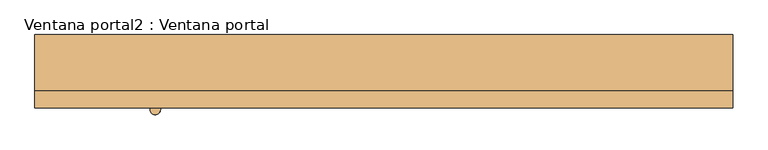
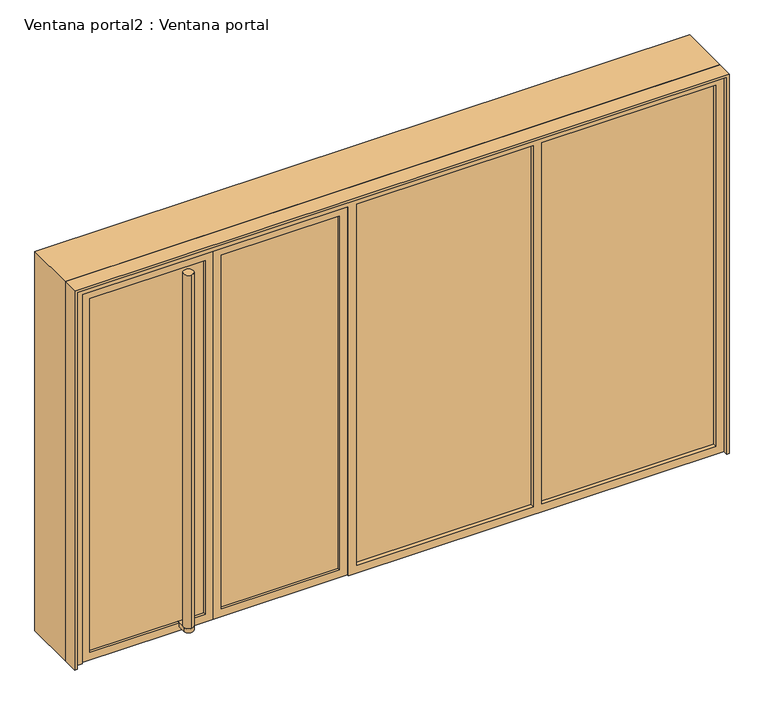
"""IFC4 building model written with IfcOpenShell, lengths in millimetres: door geometry, Ventana portal2 : Ventana portal."""

from ifc_helpers import new_model, si_unit, point, frame, frame_2d, origin, place, context, project, spatial, polyline, circle_curve, trimmed, segment, composite_curve, outline, extrude, source, transform, mapped, element, save


def ventana_portal2_ventana_portal_b1779f56(model_context):
    return source(origin(), model_context, "Body", "SweptSolid", [
        extrude(outline(polyline([(2450.0, 49779.3852488), (2450.0, 45779.3852488), (0.0, 45779.3852488), (0.0, 45794.3852488), (2435.0, 45794.3852488), (2435.0, 49764.3852488), (0.0, 49764.3852488), (0.0, 49779.3852488), (2450.0, 49779.3852488)])), frame((0.0, -8.8235294, 0.0), z_axis=(0.0, 1.0, 0.0), x_axis=(0.0, 0.0, 1.0)), (0.0, 0.0, 1.0), 320.0),
        extrude(outline(polyline([(2450.0, 49779.3852488), (2450.0, 45779.3852488), (0.0, 45779.3852488), (0.0, 45794.3852488), (2435.0, 45794.3852488), (2435.0, 49764.3852488), (0.0, 49764.3852488), (0.0, 49779.3852488), (2450.0, 49779.3852488)])), frame((0.0, -108.8235294, 0.0), z_axis=(0.0, 1.0, 0.0), x_axis=(0.0, 0.0, 1.0)), (0.0, 0.0, 1.0), 100.0),
        extrude(outline(composite_curve([segment(trimmed(circle_curve(frame_2d((46469.3852488, 150.438026)), 30.0), [point((46439.3852488, 150.438026))], [point((46499.3852488, 150.438026))], False, "CARTESIAN"), True, "CONTINUOUS"), segment(polyline([(46499.3852488, 150.438026), (46499.3852488, 1.9149152)]), True, "CONTINUOUS"), segment(trimmed(circle_curve(frame_2d((46469.3852488, 1.9149152)), 30.0), [point((46499.3852488, 1.9149152))], [point((46439.3852488, 1.9149152))], False, "CARTESIAN"), True, "CONTINUOUS"), segment(polyline([(46439.3852488, 1.9149152), (46439.3852488, 150.438026)]), True, "CONTINUOUS")], self_intersect=False)), frame((0.0, 0.0, 2335.0), z_axis=(0.0, 0.0, 1.0), x_axis=(1.0, 0.0, 0.0)), (0.0, 0.0, 1.0), 25.0),
        extrude(outline(polyline([(49714.3852488, -53.8235294), (48649.3852488, -53.8235294), (48649.3852488, -33.8235294), (49714.3852488, -33.8235294), (49714.3852488, -53.8235294)])), frame((0.0, 0.0, 50.0), z_axis=(0.0, 0.0, 1.0), x_axis=(1.0, 0.0, 0.0)), (0.0, 0.0, 1.0), 2335.0),
        extrude(outline(polyline([(48599.3852488, -53.8235294), (47519.3852488, -53.8235294), (47519.3852488, -33.8235294), (48599.3852488, -33.8235294), (48599.3852488, -53.8235294)])), frame((0.0, 0.0, 50.0), z_axis=(0.0, 0.0, 1.0), x_axis=(1.0, 0.0, 0.0)), (0.0, 0.0, 1.0), 2335.0),
        extrude(outline(polyline([(2435.0, 49764.3852488), (2435.0, 45794.3852488), (0.0, 45794.3852488), (0.0, 45844.3852488), (2385.0, 45844.3852488), (2385.0, 47469.3852488), (0.0, 47469.3852488), (0.0, 49764.3852488), (2435.0, 49764.3852488)]), holes=[polyline([(50.0, 48599.3852488), (50.0, 47519.3852488), (2385.0, 47519.3852488), (2385.0, 48599.3852488), (50.0, 48599.3852488)]), polyline([(2385.0, 49714.3852488), (50.0, 49714.3852488), (50.0, 48649.3852488), (2385.0, 48649.3852488), (2385.0, 49714.3852488)])]), frame((0.0, -78.8235294, 0.0), z_axis=(0.0, 1.0, 0.0), x_axis=(0.0, 0.0, 1.0)), (0.0, 0.0, 1.0), 70.0),
        extrude(outline(polyline([(46599.3852488, -53.8235294), (45894.3852488, -53.8235294), (45894.3852488, -33.8235294), (46599.3852488, -33.8235294), (46599.3852488, -53.8235294)])), frame((0.0, 0.0, 50.0), z_axis=(0.0, 0.0, 1.0), x_axis=(1.0, 0.0, 0.0)), (0.0, 0.0, 1.0), 2285.0),
        extrude(outline(polyline([(47419.3852488, -53.8235294), (46699.3852488, -53.8235294), (46699.3852488, -33.8235294), (47419.3852488, -33.8235294), (47419.3852488, -53.8235294)])), frame((0.0, 0.0, 50.0), z_axis=(0.0, 0.0, 1.0), x_axis=(1.0, 0.0, 0.0)), (0.0, 0.0, 1.0), 2285.0),
        extrude(outline(polyline([(2385.0, 47469.3852488), (2385.0, 46649.3852488), (0.0, 46649.3852488), (0.0, 47469.3852488), (2385.0, 47469.3852488)]), holes=[polyline([(2335.0, 46699.3852488), (2335.0, 47419.3852488), (50.0, 47419.3852488), (50.0, 46699.3852488), (2335.0, 46699.3852488)])]), frame((0.0, -68.8235294, 0.0), z_axis=(0.0, 1.0, 0.0), x_axis=(0.0, 0.0, 1.0)), (0.0, 0.0, 1.0), 50.0),
        extrude(outline(composite_curve([segment(trimmed(circle_curve(frame_2d((46469.3852488, 30.438026)), 30.0), [point((46439.3852488, 30.438026))], [point((46499.3852488, 30.438026))], False, "CARTESIAN"), True, "CONTINUOUS"), segment(polyline([(46499.3852488, 30.438026), (46499.3852488, -118.0850848)]), True, "CONTINUOUS"), segment(trimmed(circle_curve(frame_2d((46469.3852488, -118.0850848)), 30.0), [point((46499.3852488, -118.0850848))], [point((46439.3852488, -118.0850848))], False, "CARTESIAN"), True, "CONTINUOUS"), segment(polyline([(46439.3852488, -118.0850848), (46439.3852488, 30.438026)]), True, "CONTINUOUS")], self_intersect=False)), frame((0.0, 0.0, 25.0), z_axis=(0.0, 0.0, 1.0), x_axis=(1.0, 0.0, 0.0)), (0.0, 0.0, 1.0), 25.0),
        extrude(outline(composite_curve([segment(trimmed(circle_curve(frame_2d((46469.3852488, -118.0850848)), 30.0), [point((46469.3852488, -148.0850848))], [point((46469.3852488, -88.0850848))], False, "CARTESIAN"), True, "CONTINUOUS"), segment(trimmed(circle_curve(frame_2d((46469.3852488, -118.0850848)), 30.0), [point((46469.3852488, -88.0850848))], [point((46469.3852488, -148.0850848))], False, "CARTESIAN"), True, "CONTINUOUS")], self_intersect=False)), frame((0.0, 0.0, 50.0), z_axis=(0.0, 0.0, 1.0), x_axis=(1.0, 0.0, 0.0)), (0.0, 0.0, 1.0), 2285.0),
        extrude(outline(composite_curve([segment(trimmed(circle_curve(frame_2d((46469.3852488, 30.438026)), 30.0), [point((46469.3852488, 60.438026))], [point((46469.3852488, 0.438026))], False, "CARTESIAN"), True, "CONTINUOUS"), segment(trimmed(circle_curve(frame_2d((46469.3852488, 30.438026)), 30.0), [point((46469.3852488, 0.438026))], [point((46469.3852488, 60.438026))], False, "CARTESIAN"), True, "CONTINUOUS")], self_intersect=False)), frame((0.0, 0.0, 50.0), z_axis=(0.0, 0.0, 1.0), x_axis=(1.0, 0.0, 0.0)), (0.0, 0.0, 1.0), 2300.0),
        extrude(outline(polyline([(2385.0, 45844.3852488), (0.0, 45844.3852488), (0.0, 46649.3852488), (2385.0, 46649.3852488), (2385.0, 45844.3852488)]), holes=[polyline([(2335.0, 46599.3852488), (50.0, 46599.3852488), (50.0, 45894.3852488), (2335.0, 45894.3852488), (2335.0, 46599.3852488)])]), frame((0.0, -68.8235294, 0.0), z_axis=(0.0, 1.0, 0.0), x_axis=(0.0, 0.0, 1.0)), (0.0, 0.0, 1.0), 50.0),
    ])


if __name__ == "__main__":
    model = new_model("IFC4")
    model_context = context("Model", 3, world=origin())
    ifc_project = project(units=[si_unit("LENGTHUNIT", "METRE", prefix="MILLI")], contexts=[model_context])
    site = spatial("IfcSite", under=ifc_project)
    building = spatial("IfcBuilding", under=site)
    placement = place(None, origin())
    ventana_portal2_ventana_portal_shape = ventana_portal2_ventana_portal_b1779f56(model_context)
    element("IfcDoor", 1, ObjectType="Ventana portal2 : Ventana portal", at=placement, inside=building, context=model_context, shape_type="MappedRepresentation", body=[
        mapped(ventana_portal2_ventana_portal_shape, transform((0.0, 0.0, 0.0), x_axis=(1.0, 0.0, 0.0), y_axis=(0.0, 1.0, 0.0), z_axis=(0.0, 0.0, 1.0))),
    ])
    save(model, "model.ifc")
